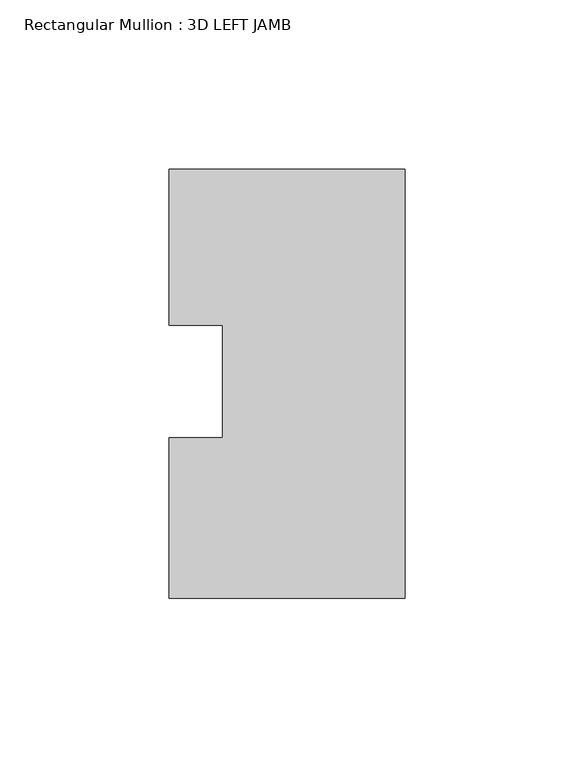
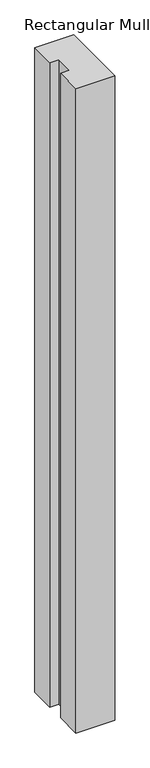
"""IFC4 building model written with IfcOpenShell, lengths in millimetres: member geometry, Rectangular Mullion : 3D LEFT JAMB."""

from ifc_helpers import new_model, si_unit, frame, origin, place, context, project, spatial, polyline, outline, extrude, source, transform, mapped, element, save


def rectangular_mullion_3d_left_jamb_656e86e9(model_context):
    return source(origin(), model_context, "Body", "SweptSolid", [
        extrude(outline(polyline([(-69.85, 62.8644207), (0.0, 62.8644207), (0.0, -64.1355793), (-69.85, -64.1355793), (-69.85, -16.6815107), (-53.975, -16.6815107), (-53.975, 16.6815107), (-69.85, 16.6815107), (-69.85, 62.8644207)])), frame((0.0, 0.0, -1219.2), z_axis=(0.0, 0.0, 1.0), x_axis=(1.0, 0.0, 0.0)), (0.0, 0.0, 1.0), 1219.2),
    ])


if __name__ == "__main__":
    model = new_model("IFC4")
    model_context = context("Model", 3, world=origin())
    ifc_project = project(units=[si_unit("LENGTHUNIT", "METRE", prefix="MILLI")], contexts=[model_context])
    site = spatial("IfcSite", under=ifc_project)
    building = spatial("IfcBuilding", under=site)
    placement = place(None, origin())
    rectangular_mullion_3d_left_jamb_shape = rectangular_mullion_3d_left_jamb_656e86e9(model_context)
    element("IfcMember", 1, ObjectType="Rectangular Mullion : 3D LEFT JAMB", at=placement, inside=building, context=model_context, shape_type="MappedRepresentation", body=[
        mapped(rectangular_mullion_3d_left_jamb_shape, transform((0.0, 0.0, 0.0), x_axis=(1.0, 0.0, 0.0), y_axis=(0.0, 1.0, 0.0), z_axis=(0.0, 0.0, 1.0))),
    ])
    save(model, "model.ifc")
